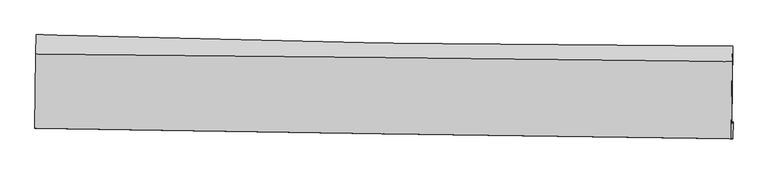
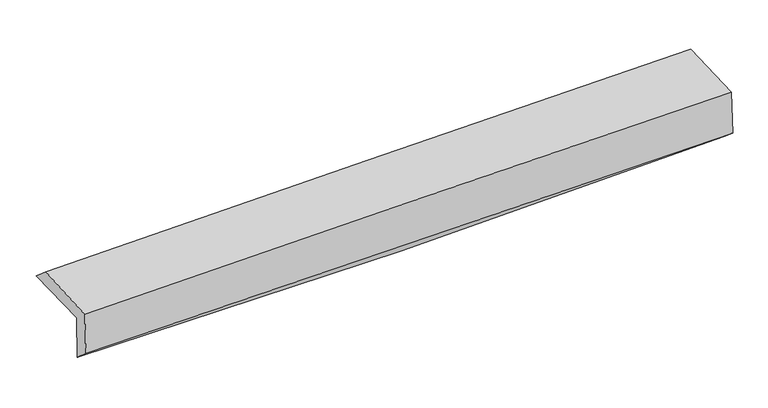
"""IFC4 building model written with IfcOpenShell, lengths in millimetres: proxy geometry."""

from ifc_helpers import new_model, si_unit, frame, origin, place, context, project, spatial, source, transform, mapped, element, save
from ifc_brep_helpers import plane_surface, spline_curve, spline_surface, advanced_brep


def generic_models_8a90fc8a(model_context):
    return source(origin(), model_context, "Body", "AdvancedBrep", [
        advanced_brep(
        [(-3036.834213, -1754.7918832, 1961.9446176), (-3030.1436897, -1079.4972038, 1969.0735454), (3022.3304915, -1177.8020447, 2110.3405378), (3015.3846656, -1856.8772802, 2111.8565951), (-3026.5107869, -1743.1797531, 1555.0893136), (3025.9310631, -1836.3132276, 1699.7424646), (-3031.5362152, -1896.1482907, 1693.4031361), (3021.0952819, -1987.877266, 1831.0651994), (-3041.2558008, -1895.1829148, 2081.2858068), (3010.7582223, -1986.8505608, 2243.5896053), (-3035.4943412, -1248.2795048, 2113.9399109), (3017.2494829, -1313.0250566, 2258.0667353)],
        [
            (0, 1),
            (1, 2, spline_curve(3, [(-3030.1436897, -1079.4972038, 1969.0735454), (-2021.143782188, -1111.783542771, 1974.998176422), (-1012.257997494, -1136.118788788, 1989.733271091), (1005.233384781, -1168.886250172, 2036.823175719), (2013.838993396, -1177.319284651, 2069.177078403), (3022.3304915, -1177.8020447, 2110.3405378)], [4, 2, 4], [0.0, 9.933539262360869, 19.866567034375695])),
            (2, 3),
            (3, 0, spline_curve(3, [(3015.3846656, -1856.8772802, 2111.8565951), (2007.04909418, -1851.182057213, 2066.590667097), (998.542724952, -1839.827694228, 2031.465099112), (-1018.863550274, -1805.79981108, 1981.493395302), (-2027.763473724, -1783.125708619, 1966.648304397), (-3036.834213, -1754.7918832, 1961.9446176)], [4, 2, 4], [0.0, 9.933027772014826, 19.866567034375695])),
            (4, 0),
            (3, 5),
            (5, 4, spline_curve(3, [(3025.9310631, -1836.3132276, 1699.7424646), (2017.516448475, -1831.324007483, 1657.341443146), (1008.951976745, -1821.068609666, 1624.086578022), (-1008.52862458, -1790.024660867, 1575.867918927), (-2017.444769204, -1769.235566831, 1560.905066946), (-3026.5107869, -1743.1797531, 1555.0893136)], [4, 2, 4], [0.0, 9.932934811595603, 19.866381108750353])),
            (6, 4),
            (5, 7),
            (7, 6, spline_curve(3, [(3021.0952819, -1987.877266, 1831.0651994), (2012.352013992, -1973.986851765, 1805.376425917), (1003.60740805, -1959.397777991, 1781.060460468), (-1013.936424313, -1928.821524984, 1735.172964499), (-2022.735650607, -1912.834273275, 1713.601575493), (-3031.5362152, -1896.1482907, 1693.4031361)], [4, 2, 4], [0.0, 9.932481093859318, 19.865473649914087])),
            (8, 6),
            (7, 9),
            (9, 8, spline_curve(3, [(3010.7582223, -1986.8505608, 2243.5896053), (2001.908851243, -1972.949608149, 2222.135127685), (993.16264579, -1958.36037546, 2197.882992717), (-1024.175372555, -1927.804564441, 2143.782014384), (-2032.767174731, -1911.837914907, 2113.932883364), (-3041.2558008, -1895.1829148, 2081.2858068)], [4, 2, 4], [0.0, 9.93228809915454, 19.86508765056648])),
            (10, 8),
            (9, 11),
            (11, 10, spline_curve(3, [(3017.2494829, -1313.0250566, 2258.0667353), (2008.378986607, -1301.043618344, 2236.676017338), (999.561404584, -1289.657560076, 2213.970432579), (-1018.019875612, -1268.07564807, 2165.928293114), (-2026.783568375, -1257.87985565, 2140.591602904), (-3035.4943412, -1248.2795048, 2113.9399109)], [4, 2, 4], [0.0, 9.932221078392098, 19.864953605590436])),
            (1, 10),
            (11, 2),
        ],
        [
            spline_surface(3, 3, [[(-3036.834213, -1754.7918832, 1961.9446176), (-2027.76347382, -1783.125708719, 1966.648304488), (-1018.863550302, -1805.799811244, 1981.493395445), (998.54272498, -1839.827694064, 2031.46509897), (2007.049094316, -1851.182057223, 2066.590667184), (3015.3846656, -1856.8772802, 2111.8565951)], [(-3034.604038559, -1529.693656742, 1964.320926867), (-2025.556909975, -1559.344986781, 1969.431595084), (-1016.661699347, -1582.57280375, 1984.240020625), (1000.772944833, -1616.180546122, 2033.251124563), (2009.312394012, -1626.561133044, 2067.452804294), (3017.699940896, -1630.518868361, 2111.351242668)], [(-3032.373864141, -1304.595430258, 1966.697236133), (-2023.350346152, -1335.564264818, 1972.214885678), (-1014.459848299, -1359.345796236, 1986.986645842), (1003.003164779, -1392.53339816, 2035.037150194), (2011.575693718, -1401.94020888, 2068.314941398), (3020.015216204, -1404.160456539, 2110.845890232)], [(-3030.1436897, -1079.4972038, 1969.0735454), (-2021.143782307, -1111.78354288, 1974.998176274), (-1012.257997344, -1136.118788742, 1989.733271022), (1005.233384631, -1168.886250217, 2036.823175788), (2013.838993413, -1177.3192847, 2069.177078508), (3022.3304915, -1177.8020447, 2110.3405378)]], [4, 4], [4, 2, 4], [0.0, 2.1994050093840207], [0.0, 9.933539262360869, 19.866567034375695]),
            spline_surface(3, 3, [[(-3026.5107869, -1743.1797531, 1555.0893136), (-2017.444769345, -1769.235566802, 1560.905067101), (-1008.528624519, -1790.024660703, 1575.867918994), (1008.951976683, -1821.06860983, 1624.086577955), (2017.516448585, -1831.324007443, 1657.341443073), (3025.9310631, -1836.3132276, 1699.7424646)], [(-3029.951928957, -1747.050463138, 1690.707748261), (-2020.884337527, -1773.865614113, 1696.152812892), (-1011.97359975, -1795.283044193, 1711.076411157), (1005.482226146, -1827.321637884, 1759.879418306), (2014.027330509, -1837.943357373, 1793.757851108), (3022.41559728, -1843.167911803, 1837.113841431)], [(-3033.393070943, -1750.921173162, 1826.326182939), (-2024.323905638, -1778.495661408, 1831.400558698), (-1015.418575071, -1800.541427754, 1846.284903282), (1002.012475518, -1833.57466601, 1895.672258619), (2010.538212393, -1844.562707294, 1930.174259149), (3018.90013142, -1850.022595997, 1974.485218269)], [(-3036.834213, -1754.7918832, 1961.9446176), (-2027.76347382, -1783.125708719, 1966.648304488), (-1018.863550302, -1805.799811244, 1981.493395445), (998.54272498, -1839.827694064, 2031.46509897), (2007.049094316, -1851.182057223, 2066.590667184), (3015.3846656, -1856.8772802, 2111.8565951)]], [4, 4], [4, 2, 4], [0.0, 1.3353041313669833], [0.0, 9.93344629715475, 19.866381108750353]),
            spline_surface(3, 3, [[(-3031.5362152, -1896.1482907, 1693.4031361), (-2022.735650629, -1912.834273406, 1713.601575538), (-1013.936424236, -1928.821524929, 1735.172964575), (1003.607407973, -1959.397778046, 1781.060460393), (2012.352013986, -1973.986851677, 1805.376425792), (3021.0952819, -1987.877266, 1831.0651994)], [(-3029.861072428, -1845.158778154, 1647.298528599), (-2020.972023529, -1864.968037858, 1662.702739391), (-1012.133824359, -1882.555903551, 1682.071282702), (1005.388930848, -1913.288055339, 1728.735832902), (2014.07349218, -1926.432570273, 1756.031431548), (3022.707208961, -1937.355919874, 1787.290954462)], [(-3028.185929672, -1794.169265646, 1601.193921101), (-2019.208396445, -1817.10180235, 1611.803903248), (-1010.331224396, -1836.29028208, 1628.969600866), (1007.170453808, -1867.178332538, 1676.411205446), (2015.794970392, -1878.878288847, 1706.686437317), (3024.319136039, -1886.834573726, 1743.516709538)], [(-3026.5107869, -1743.1797531, 1555.0893136), (-2017.444769345, -1769.235566802, 1560.905067101), (-1008.528624519, -1790.024660703, 1575.867918994), (1008.951976683, -1821.06860983, 1624.086577955), (2017.516448585, -1831.324007443, 1657.341443073), (3025.9310631, -1836.3132276, 1699.7424646)]], [4, 4], [4, 2, 4], [0.0, 0.690043583671266], [0.0, 9.932992556054769, 19.865473649914087]),
            spline_surface(3, 3, [[(-3041.2558008, -1895.1829148, 2081.2858068), (-2032.767174871, -1911.837914902, 2113.932883452), (-1024.175372539, -1927.804564393, 2143.782014535), (993.162645775, -1958.360375509, 2197.882992566), (2001.908851166, -1972.949608013, 2222.135127656), (3010.7582223, -1986.8505608, 2243.5896053)], [(-3038.01593893, -1895.504706784, 1951.99158324), (-2029.423333454, -1912.170034421, 1980.489114154), (-1020.762389749, -1928.143551222, 2007.578997894), (996.644233197, -1958.706176339, 2058.942148521), (2005.389905434, -1973.295355889, 2083.215560377), (3014.203908828, -1987.192795855, 2106.081470008)], [(-3034.77607707, -1895.826498716, 1822.69735966), (-2026.079492046, -1912.502153887, 1847.045344836), (-1017.349407027, -1928.482538099, 1871.375981215), (1000.125820551, -1959.051977216, 1920.001304438), (2008.870959718, -1973.641103801, 1944.295993072), (3017.649595372, -1987.535030945, 1968.573334692)], [(-3031.5362152, -1896.1482907, 1693.4031361), (-2022.735650629, -1912.834273406, 1713.601575538), (-1013.936424236, -1928.821524929, 1735.172964575), (1003.607407973, -1959.397778046, 1781.060460393), (2012.352013986, -1973.986851677, 1805.376425792), (3021.0952819, -1987.877266, 1831.0651994)]], [4, 4], [4, 2, 4], [0.0, 1.3544829737073631], [0.0, 9.93279955141194, 19.86508765056648]),
            spline_surface(3, 3, [[(-3035.4943412, -1248.2795048, 2113.9399109), (-2026.78356837, -1257.879855743, 2140.591603024), (-1018.019875595, -1268.075648119, 2165.928293164), (999.561404567, -1289.657560026, 2213.970432529), (2008.378986468, -1301.043618273, 2236.676017221), (3017.2494829, -1313.0250566, 2258.0667353)], [(-3037.414827725, -1463.913974798, 2103.055209512), (-2028.778103861, -1475.865875461, 2131.705363145), (-1020.071707913, -1487.985286885, 2158.546200261), (997.428484967, -1512.558498528, 2208.607952515), (2006.222274685, -1525.012281532, 2231.829054024), (3015.085729352, -1537.633558012, 2253.241025291)], [(-3039.335314275, -1679.548444802, 2092.170508188), (-2030.772639379, -1693.851895184, 2122.819123331), (-1022.123540221, -1707.894925627, 2151.164107437), (995.295565375, -1735.459437007, 2203.24547258), (2004.065562948, -1748.980944754, 2226.982090854), (3012.921975848, -1762.242059388, 2248.415315309)], [(-3041.2558008, -1895.1829148, 2081.2858068), (-2032.767174871, -1911.837914902, 2113.932883452), (-1024.175372539, -1927.804564393, 2143.782014535), (993.162645775, -1958.360375509, 2197.882992566), (2001.908851166, -1972.949608013, 2222.135127656), (3010.7582223, -1986.8505608, 2243.5896053)]], [4, 4], [4, 2, 4], [0.0, 2.1801848174477434], [0.0, 9.932732527198338, 19.864953605590436]),
            spline_surface(3, 3, [[(-3030.1436897, -1079.4972038, 1969.0735454), (-2021.143782307, -1111.78354288, 1974.998176274), (-1012.257997344, -1136.118788742, 1989.733271022), (1005.233384631, -1168.886250217, 2036.823175788), (2013.838993413, -1177.3192847, 2069.177078508), (3022.3304915, -1177.8020447, 2110.3405378)], [(-3031.9272402, -1135.757970784, 2017.362333921), (-2023.023710995, -1160.482313819, 2030.195985212), (-1014.178623418, -1180.104408528, 2048.464945094), (1003.34272462, -1209.143353481, 2095.872261394), (2012.018991115, -1218.56072922, 2125.010058085), (3020.636821984, -1222.876381995, 2159.582603639)], [(-3033.7107907, -1192.018737816, 2065.651122379), (-2024.903639681, -1209.181084804, 2085.393794086), (-1016.099249521, -1224.090028334, 2107.196619091), (1001.452064579, -1249.400456763, 2154.921346924), (2010.198988766, -1259.802173753, 2180.843037645), (3018.943152416, -1267.950719305, 2208.824669461)], [(-3035.4943412, -1248.2795048, 2113.9399109), (-2026.78356837, -1257.879855743, 2140.591603024), (-1018.019875595, -1268.075648119, 2165.928293164), (999.561404567, -1289.657560026, 2213.970432529), (2008.378986468, -1301.043618273, 2236.676017221), (3017.2494829, -1313.0250566, 2258.0667353)]], [4, 4], [4, 2, 4], [0.0, 0.7128814458889894], [0.0, 9.93286963103755, 19.865227806209212]),
            plane_surface(frame((3018.7915345, -1693.1242393, 2042.4435229), z_axis=(0.9996338749075552, -0.01016863605340426, 0.0250741894808109), x_axis=(0.025050114920816283, -0.0024880462511228693, -0.9996831004714976))),
            plane_surface(frame((-3033.6291745, -1602.8465917, 1895.7893884), z_axis=(-0.9996338749074718, 0.010168636078497283, -0.025074189473959146), x_axis=(-0.009906522964091743, -0.9998952139361638, -0.010555659634303593))),
        ],
        [
            (0, [[1, 2, 3, 4]]),
            (1, [[5, -4, 6, 7]]),
            (2, [[8, -7, 9, 10]]),
            (3, [[11, -10, 12, 13]]),
            (4, [[14, -13, 15, 16]]),
            (5, [[17, -16, 18, -2]]),
            (6, [[-12, -9, -6, -3, -18, -15]]),
            (7, [[-1, -5, -8, -11, -14, -17]]),
        ],
    ),
    ])


if __name__ == "__main__":
    model = new_model("IFC4")
    model_context = context("Model", 3, world=origin())
    ifc_project = project(units=[si_unit("LENGTHUNIT", "METRE", prefix="MILLI")], contexts=[model_context])
    site = spatial("IfcSite", under=ifc_project)
    building = spatial("IfcBuilding", under=site)
    placement = place(None, origin())
    generic_models_shape = generic_models_8a90fc8a(model_context)
    element("IfcBuildingElementProxy", 1, Name="Generic Models", at=placement, inside=building, context=model_context, shape_type="MappedRepresentation", body=[
        mapped(generic_models_shape, transform((0.0, 0.0, 0.0), x_axis=(1.0, 0.0, 0.0), y_axis=(0.0, 1.0, 0.0), z_axis=(0.0, 0.0, 1.0))),
    ])
    save(model, "model.ifc")
